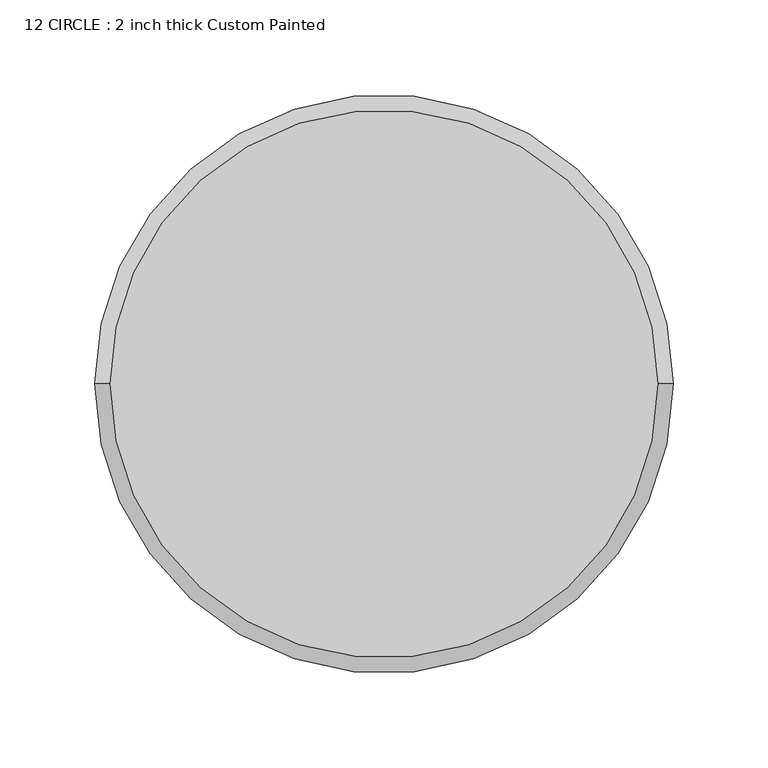
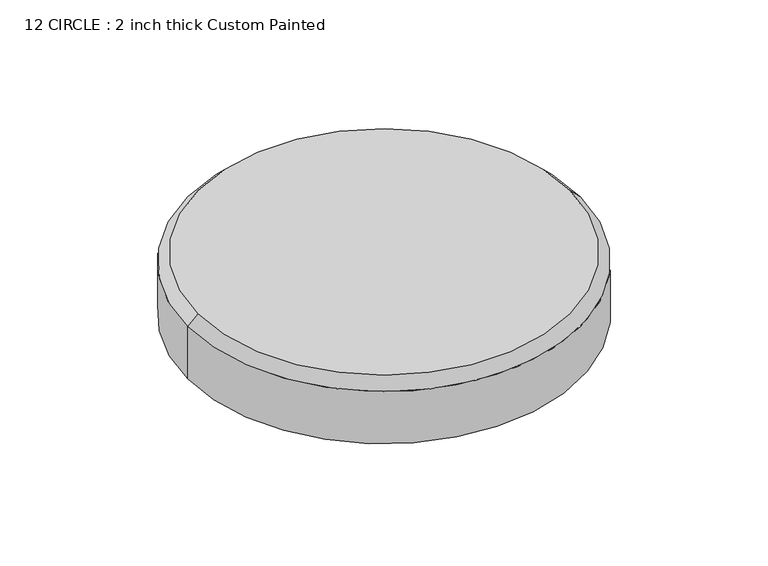
"""IFC4 building model written with IfcOpenShell, lengths in millimetres: proxy geometry, 12 CIRCLE : 2 inch thick Custom Painted."""

from ifc_helpers import new_model, si_unit, frame, origin, origin_with_axes, place, context, project, spatial, polyline, circle_curve, source, transform, mapped, element, save
from ifc_brep_helpers import plane_surface, cylinder_surface, revolved_surface, advanced_brep


def proxy_12_circle_2_inch_thick_custom_painted_412d47c9(model_context):
    return source(origin(), model_context, "Body", "AdvancedBrep", [
        advanced_brep(
        [(-144.399, 0.0, 50.8), (144.399, 0.0, 50.8), (-152.4, 0.0, 0.0), (152.4, 0.0, 0.0), (152.4, 0.0, 42.799), (-152.4, 0.0, 42.799)],
        [
            (0, 1, circle_curve(frame((0.0, 0.0, 50.8), z_axis=(0.0, 0.0, 1.0), x_axis=(-1.0, 0.0, 0.0)), 144.399)),
            (1, 0, circle_curve(frame((0.0, 0.0, 50.8), z_axis=(0.0, 0.0, 1.0), x_axis=(1.0, 0.0, 0.0)), 144.399)),
            (2, 3, circle_curve(frame((0.0, 0.0, 0.0), z_axis=(0.0, 0.0, -1.0), x_axis=(1.0, 0.0, 0.0)), 152.4)),
            (3, 2, circle_curve(frame((0.0, 0.0, 0.0), z_axis=(0.0, 0.0, -1.0), x_axis=(1.0, 0.0, 0.0)), 152.4)),
            (3, 4),
            (4, 5, circle_curve(frame((0.0, 0.0, 42.799), z_axis=(0.0, 0.0, -1.0), x_axis=(1.0, 0.0, 0.0)), 152.4)),
            (5, 2),
            (5, 4, circle_curve(frame((0.0, 0.0, 42.799), z_axis=(0.0, 0.0, -1.0), x_axis=(1.0, 0.0, 0.0)), 152.4)),
            (4, 1),
            (0, 5),
        ],
        [
            plane_surface(frame((152.4, 0.0, 50.8), z_axis=(0.0, 0.0, 1.0), x_axis=(0.0, 1.0, 0.0))),
            plane_surface(frame((152.4, 0.0, 0.0), z_axis=(0.0, 0.0, -1.0), x_axis=(0.0, -1.0, 0.0))),
            cylinder_surface(origin_with_axes(), 152.4),
            revolved_surface(polyline([(-152.4, 0.0, 42.799), (-144.399, 0.0, 50.8)]), (0.0, 0.0, 50.8), (0.0, 0.0, 1.0)),
            revolved_surface(polyline([(152.4, 0.0, 42.799), (144.399, 0.0, 50.8)]), (0.0, 0.0, 50.8), (0.0, 0.0, 1.0)),
        ],
        [
            (0, [[1, 2]]),
            (1, [[3, 4]]),
            (2, [[-4, 5, 6, 7]]),
            (2, [[-3, -7, 8, -5]]),
            (3, [[9, -1, 10, -6]]),
            (4, [[-9, -8, -10, -2]]),
        ],
    ),
    ])


if __name__ == "__main__":
    model = new_model("IFC4")
    model_context = context("Model", 3, world=origin())
    ifc_project = project(units=[si_unit("LENGTHUNIT", "METRE", prefix="MILLI")], contexts=[model_context])
    site = spatial("IfcSite", under=ifc_project)
    building = spatial("IfcBuilding", under=site)
    placement = place(None, origin())
    proxy_12_circle_2_inch_thick_custom_painted_shape = proxy_12_circle_2_inch_thick_custom_painted_412d47c9(model_context)
    element("IfcBuildingElementProxy", 1, Name="12 CIRCLE : 2 inch thick Custom Painted", ObjectType="12 CIRCLE : 2 inch thick Custom Painted", at=placement, inside=building, context=model_context, shape_type="MappedRepresentation", body=[
        mapped(proxy_12_circle_2_inch_thick_custom_painted_shape, transform((0.0, 0.0, 0.0), x_axis=(1.0, 0.0, 0.0), y_axis=(0.0, 1.0, 0.0), z_axis=(0.0, 0.0, 1.0))),
    ])
    save(model, "model.ifc")
